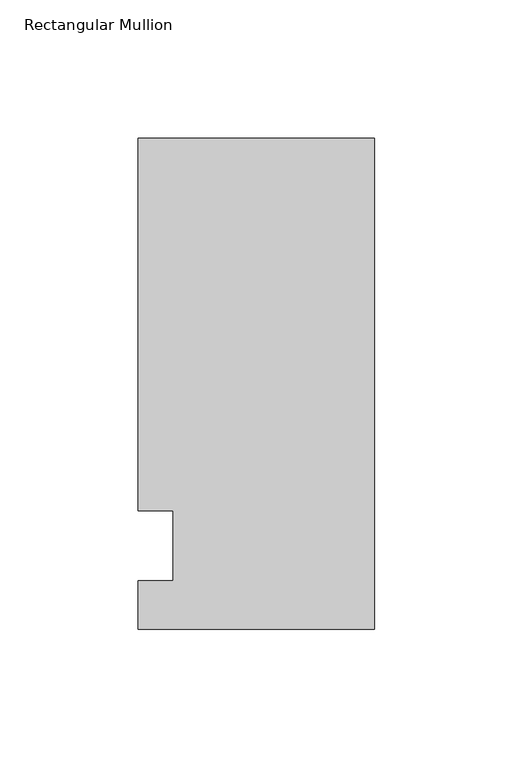
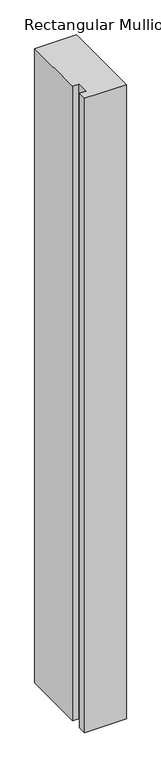
"""IFC4 building model written with IfcOpenShell, lengths in millimetres: member geometry, Rectangular Mullion."""

from ifc_helpers import new_model, si_unit, frame, origin, place, context, project, spatial, polyline, outline, extrude, source, transform, mapped, element, save


def rectangular_mullion_8b8afc17(model_context):
    return source(origin(), model_context, "Body", "SweptSolid", [
        extrude(outline(polyline([(-85.725, 147.6375), (0.0, 147.6375), (0.0, -30.1625), (-85.725, -30.1625), (-85.725, -12.7), (-73.0232296, -12.7), (-73.0232296, 12.7), (-85.725, 12.7), (-85.725, 147.6375)])), frame((0.0, 0.0, -1378.907264), z_axis=(0.0, 0.0, 1.0), x_axis=(1.0, 0.0, 0.0)), (0.0, 0.0, 1.0), 1378.907264),
    ])


if __name__ == "__main__":
    model = new_model("IFC4")
    model_context = context("Model", 3, world=origin())
    ifc_project = project(units=[si_unit("LENGTHUNIT", "METRE", prefix="MILLI")], contexts=[model_context])
    site = spatial("IfcSite", under=ifc_project)
    building = spatial("IfcBuilding", under=site)
    placement = place(None, origin())
    rectangular_mullion_shape = rectangular_mullion_8b8afc17(model_context)
    element("IfcMember", 1, ObjectType="Rectangular Mullion", at=placement, inside=building, context=model_context, shape_type="MappedRepresentation", body=[
        mapped(rectangular_mullion_shape, transform((0.0, 0.0, 0.0), x_axis=(1.0, 0.0, 0.0), y_axis=(0.0, 1.0, 0.0), z_axis=(0.0, 0.0, 1.0))),
    ])
    save(model, "model.ifc")
